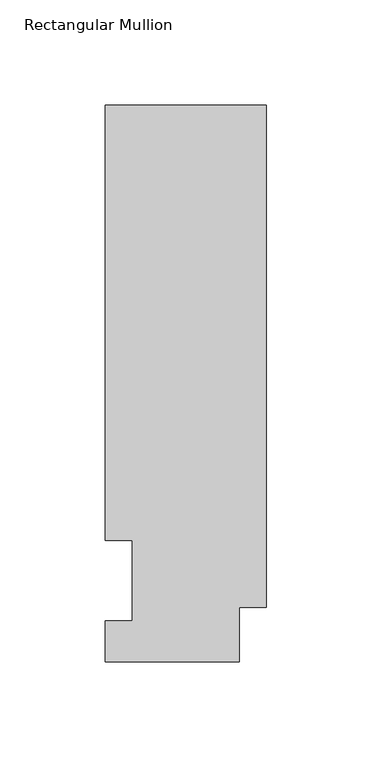
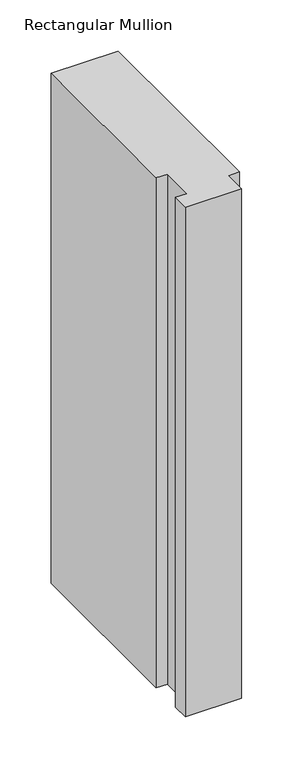
"""IFC4 building model written with IfcOpenShell, lengths in millimetres: member geometry, Rectangular Mullion."""

from ifc_helpers import new_model, si_unit, frame, origin, place, context, project, spatial, polyline, outline, extrude, source, transform, mapped, element, save


def rectangular_mullion_72b21e56(model_context):
    return source(origin(), model_context, "Body", "SweptSolid", [
        extrude(outline(polyline([(0.0, 25.8960937), (-12.7, 25.8960937), (-12.7, 0.0134938), (-76.2, 0.0134938), (-76.2, 19.5460938), (-63.5127, 19.5460938), (-63.5127, 57.6460937), (-76.2, 57.6460938), (-76.2, 264.0210938), (0.0, 264.0210938), (0.0, 25.8960937)])), frame((0.0, 0.0, -609.6), z_axis=(0.0, 0.0, 1.0), x_axis=(1.0, 0.0, 0.0)), (0.0, 0.0, 1.0), 609.6),
    ])


if __name__ == "__main__":
    model = new_model("IFC4")
    model_context = context("Model", 3, world=origin())
    ifc_project = project(units=[si_unit("LENGTHUNIT", "METRE", prefix="MILLI")], contexts=[model_context])
    site = spatial("IfcSite", under=ifc_project)
    building = spatial("IfcBuilding", under=site)
    placement = place(None, origin())
    rectangular_mullion_shape = rectangular_mullion_72b21e56(model_context)
    element("IfcMember", 1, ObjectType="Rectangular Mullion", at=placement, inside=building, context=model_context, shape_type="MappedRepresentation", body=[
        mapped(rectangular_mullion_shape, transform((0.0, 0.0, 0.0), x_axis=(1.0, 0.0, 0.0), y_axis=(0.0, 1.0, 0.0), z_axis=(0.0, 0.0, 1.0))),
    ])
    save(model, "model.ifc")
